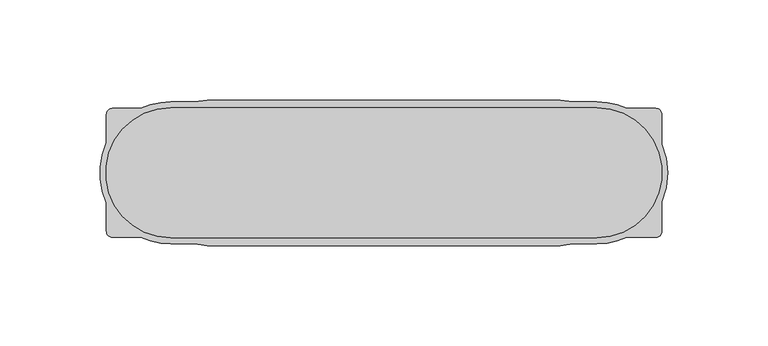
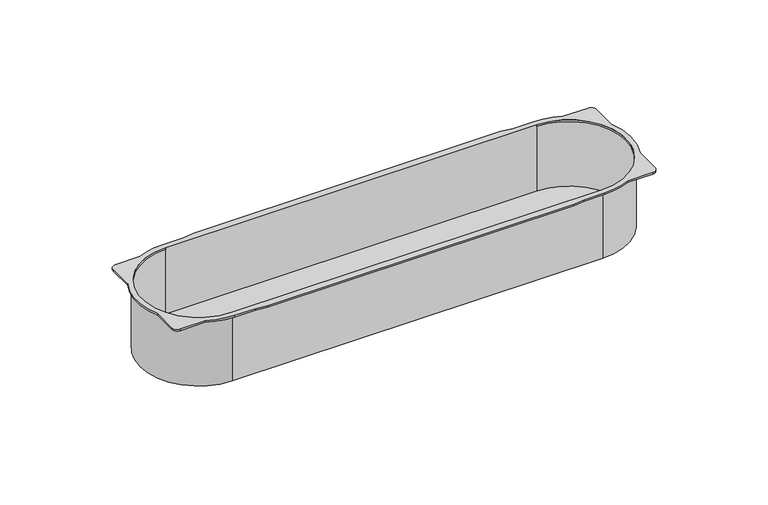
"""IFC4 building model written with IfcOpenShell, lengths in millimetres: proxy geometry."""

from ifc_helpers import new_model, si_unit, point, frame, frame_2d, origin, place, context, project, spatial, polyline, circle_curve, trimmed, segment, composite_curve, outline, extrude, source, transform, mapped, element, save
from ifc_brep_helpers import plane_surface, cylinder_surface, revolved_surface, advanced_brep


def electrical_fixtures_98e6198d(model_context):
    return source(origin(), model_context, "Body", "SolidModel", [
        advanced_brep(
        [(-106.5, 33.5, -40.0), (106.5, 33.5, -40.0), (106.5, -33.5, -40.0), (-106.5, -33.5, -40.0), (-106.5, 32.5, -40.0), (-106.5, -32.5, -40.0), (106.5, -32.5, -40.0), (106.5, 32.5, -40.0), (138.9713136, -14.3479544, 1.0), (138.9713136, 14.3479544, 1.0), (138.9713136, 29.1875, 1.0), (135.9713136, 32.1875, 1.0), (121.4738053, 32.1875, 1.0), (106.5, 35.5, 1.0), (94.5169757, 35.5, 1.0), (88.1770276, 36.4, 1.0), (-88.1783104, 36.4, 1.0), (-94.5182585, 35.5, 1.0), (-106.5, 35.5, 1.0), (-121.4738053, 32.1875, 1.0), (-135.6875, 32.1875, 1.0), (-138.6875, 29.1875, 1.0), (-138.6875, 14.9738053, 1.0), (-138.6875, -14.9738053, 1.0), (-138.6875, -29.1875, 1.0), (-135.6875, -32.1875, 1.0), (-121.4738053, -32.1875, 1.0), (-106.5, -35.5, 1.0), (-94.5182585, -35.5, 1.0), (-88.1783104, -36.4, 1.0), (88.1770276, -36.4, 1.0), (94.5169757, -35.5, 1.0), (106.5, -35.5, 1.0), (121.4738053, -32.1875, 1.0), (135.9713136, -32.1875, 1.0), (138.9713136, -29.1875, 1.0), (106.5, 32.5, 1.0), (106.5, -32.5, 1.0), (-106.5, -32.5, 1.0), (-106.5, 32.5, 1.0), (138.9713136, -14.3479544, 0.0), (138.9713136, -29.1875, 0.0), (135.9713136, -32.1875, 0.0), (121.4738053, -32.1875, 0.0), (106.5, -35.5, 0.0), (94.5169757, -35.5, 0.0), (88.1770276, -36.4, 0.0), (-88.1783104, -36.4, 0.0), (-94.5182585, -35.5, 0.0), (-106.5, -35.5, 0.0), (-121.4738053, -32.1875, 0.0), (-135.6875, -32.1875, 0.0), (-138.6875, -29.1875, 0.0), (-138.6875, -14.9738053, 0.0), (-138.6875, 14.9738053, 0.0), (-138.6875, 29.1875, 0.0), (-135.6875, 32.1875, 0.0), (-121.4738053, 32.1875, 0.0), (-106.5, 35.5, 0.0), (-94.5182585, 35.5, 0.0), (-88.1783104, 36.4, 0.0), (88.1770276, 36.4, 0.0), (94.5169757, 35.5, 0.0), (106.5, 35.5, 0.0), (121.4738053, 32.1875, 0.0), (135.9713136, 32.1875, 0.0), (138.9713136, 29.1875, 0.0), (138.9713136, 14.3479544, 0.0), (-106.5, 33.5, 0.0), (-106.5, -33.5, 0.0), (106.5, -33.5, 0.0), (106.5, 33.5, 0.0), (106.5, 32.5, 0.0), (106.5, -32.5, 0.0), (-106.5, -32.5, 0.0), (-106.5, 32.5, 0.0)],
        [
            (0, 1),
            (1, 2, circle_curve(frame((106.5, 0.0, -40.0), z_axis=(0.0, 0.0, -1.0), x_axis=(1.0, 0.0, 0.0)), 33.5)),
            (2, 3),
            (3, 0, circle_curve(frame((-106.5, 0.0, -40.0), z_axis=(0.0, 0.0, -1.0), x_axis=(-1.0, 0.0, 0.0)), 33.5)),
            (4, 5, circle_curve(frame((-106.5, 0.0, -40.0), z_axis=(0.0, 0.0, 1.0), x_axis=(-1.0, 0.0, 0.0)), 32.5)),
            (5, 6),
            (6, 7, circle_curve(frame((106.5, 0.0, -40.0), z_axis=(0.0, 0.0, 1.0), x_axis=(1.0, 0.0, 0.0)), 32.5)),
            (7, 4),
            (8, 9, circle_curve(frame((106.5, 0.0, 1.0), z_axis=(0.0, 0.0, 1.0), x_axis=(1.0, 0.0, 0.0)), 35.5)),
            (9, 10),
            (10, 11, circle_curve(frame((135.9713136, 29.1875, 1.0), z_axis=(0.0, 0.0, 1.0), x_axis=(-1.0, 0.0, 0.0)), 3.0)),
            (11, 12),
            (12, 13, circle_curve(frame((106.5, 0.0, 1.0), z_axis=(0.0, 0.0, 1.0), x_axis=(1.0, 0.0, 0.0)), 35.5)),
            (13, 14),
            (14, 15),
            (15, 16),
            (16, 17),
            (17, 18),
            (18, 19, circle_curve(frame((-106.5, 0.0, 1.0), z_axis=(0.0, 0.0, 1.0), x_axis=(-1.0, 0.0, 0.0)), 35.5)),
            (19, 20),
            (20, 21, circle_curve(frame((-135.6875, 29.1875, 1.0), z_axis=(0.0, 0.0, 1.0), x_axis=(1.0, 0.0, 0.0)), 3.0)),
            (21, 22),
            (22, 23, circle_curve(frame((-106.5, 0.0, 1.0), z_axis=(0.0, 0.0, 1.0), x_axis=(-1.0, 0.0, 0.0)), 35.5)),
            (23, 24),
            (24, 25, circle_curve(frame((-135.6875, -29.1875, 1.0), z_axis=(0.0, 0.0, 1.0), x_axis=(1.0, 0.0, 0.0)), 3.0)),
            (25, 26),
            (26, 27, circle_curve(frame((-106.5, 0.0, 1.0), z_axis=(0.0, 0.0, 1.0), x_axis=(-1.0, 0.0, 0.0)), 35.5)),
            (27, 28),
            (28, 29),
            (29, 30),
            (30, 31),
            (31, 32),
            (32, 33, circle_curve(frame((106.5, 0.0, 1.0), z_axis=(0.0, 0.0, 1.0), x_axis=(1.0, 0.0, 0.0)), 35.5)),
            (33, 34),
            (34, 35, circle_curve(frame((135.9713136, -29.1875, 1.0), z_axis=(0.0, 0.0, 1.0), x_axis=(-1.0, 0.0, 0.0)), 3.0)),
            (35, 8),
            (36, 37, circle_curve(frame((106.5, 0.0, 1.0), z_axis=(0.0, 0.0, -1.0), x_axis=(1.0, 0.0, 0.0)), 32.5)),
            (37, 38),
            (38, 39, circle_curve(frame((-106.5, 0.0, 1.0), z_axis=(0.0, 0.0, -1.0), x_axis=(-1.0, 0.0, 0.0)), 32.5)),
            (39, 36),
            (40, 41),
            (41, 42, circle_curve(frame((135.9713136, -29.1875, 0.0), z_axis=(0.0, 0.0, -1.0), x_axis=(-1.0, 0.0, 0.0)), 3.0)),
            (42, 43),
            (43, 44, circle_curve(frame((106.5, 0.0, 0.0), z_axis=(0.0, 0.0, -1.0), x_axis=(1.0, 0.0, 0.0)), 35.5)),
            (44, 45),
            (45, 46),
            (46, 47),
            (47, 48),
            (48, 49),
            (49, 50, circle_curve(frame((-106.5, 0.0, 0.0), z_axis=(0.0, 0.0, -1.0), x_axis=(-1.0, 0.0, 0.0)), 35.5)),
            (50, 51),
            (51, 52, circle_curve(frame((-135.6875, -29.1875, 0.0), z_axis=(0.0, 0.0, -1.0), x_axis=(1.0, 0.0, 0.0)), 3.0)),
            (52, 53),
            (53, 54, circle_curve(frame((-106.5, 0.0, 0.0), z_axis=(0.0, 0.0, -1.0), x_axis=(-1.0, 0.0, 0.0)), 35.5)),
            (54, 55),
            (55, 56, circle_curve(frame((-135.6875, 29.1875, 0.0), z_axis=(0.0, 0.0, -1.0), x_axis=(1.0, 0.0, 0.0)), 3.0)),
            (56, 57),
            (57, 58, circle_curve(frame((-106.5, 0.0, 0.0), z_axis=(0.0, 0.0, -1.0), x_axis=(-1.0, 0.0, 0.0)), 35.5)),
            (58, 59),
            (59, 60),
            (60, 61),
            (61, 62),
            (62, 63),
            (63, 64, circle_curve(frame((106.5, 0.0, 0.0), z_axis=(0.0, 0.0, -1.0), x_axis=(1.0, 0.0, 0.0)), 35.5)),
            (64, 65),
            (65, 66, circle_curve(frame((135.9713136, 29.1875, 0.0), z_axis=(0.0, 0.0, -1.0), x_axis=(-1.0, 0.0, 0.0)), 3.0)),
            (66, 67),
            (67, 40, circle_curve(frame((106.5, 0.0, 0.0), z_axis=(0.0, 0.0, -1.0), x_axis=(1.0, 0.0, 0.0)), 35.5)),
            (68, 69, circle_curve(frame((-106.5, 0.0, 0.0), z_axis=(0.0, 0.0, 1.0), x_axis=(-1.0, 0.0, 0.0)), 33.5)),
            (69, 70),
            (70, 71, circle_curve(frame((106.5, 0.0, 0.0), z_axis=(0.0, 0.0, 1.0), x_axis=(1.0, 0.0, 0.0)), 33.5)),
            (71, 68),
            (35, 41),
            (40, 8),
            (10, 66),
            (65, 11),
            (64, 12),
            (33, 43),
            (42, 34),
            (9, 67),
            (63, 13),
            (32, 44),
            (62, 14),
            (18, 58),
            (57, 19),
            (56, 20),
            (55, 21),
            (54, 22),
            (53, 23),
            (52, 24),
            (51, 25),
            (50, 26),
            (49, 27),
            (31, 45),
            (36, 72),
            (72, 73, circle_curve(frame((106.5, 0.0, 0.0), z_axis=(0.0, 0.0, -1.0), x_axis=(1.0, 0.0, 0.0)), 32.5)),
            (73, 37),
            (38, 74),
            (74, 75, circle_curve(frame((-106.5, 0.0, 0.0), z_axis=(0.0, 0.0, -1.0), x_axis=(-1.0, 0.0, 0.0)), 32.5)),
            (75, 39),
            (3, 69),
            (68, 0),
            (2, 70),
            (1, 71),
            (7, 72),
            (75, 4),
            (6, 73),
            (5, 74),
            (61, 15),
            (60, 16),
            (59, 17),
            (48, 28),
            (47, 29),
            (46, 30),
        ],
        [
            plane_surface(frame((-140.0, 0.0, -40.0), z_axis=(0.0, 0.0, -1.0), x_axis=(0.0, 1.0, 0.0))),
            plane_surface(frame((142.0, 0.0, 1.0), z_axis=(0.0, 0.0, 1.0), x_axis=(0.0, 1.0, 0.0))),
            plane_surface(frame((142.0, 0.0, 0.0), z_axis=(0.0, 0.0, -1.0), x_axis=(0.0, -1.0, 0.0))),
            plane_surface(frame((138.9713136, -29.1875, 1.0), z_axis=(1.0, 0.0, 0.0), x_axis=(0.0, 0.0, -1.0))),
            cylinder_surface(frame((135.9713136, 29.1875, 0.0), z_axis=(0.0, 0.0, 1.0), x_axis=(-1.0, 0.0, 0.0)), 3.0),
            plane_surface(frame((135.9713136, 32.1875, 1.0), z_axis=(0.0, 1.0, 0.0), x_axis=(0.0, 0.0, -1.0))),
            plane_surface(frame((121.4738053, -32.1875, 1.0), z_axis=(0.0, -1.0, 0.0), x_axis=(0.0, 0.0, -1.0))),
            cylinder_surface(frame((135.9713136, -29.1875, 0.0), z_axis=(0.0, 0.0, 1.0), x_axis=(-1.0, 0.0, 0.0)), 3.0),
            plane_surface(frame((138.9713136, 14.3479544, 1.0), z_axis=(1.0, 0.0, 0.0), x_axis=(0.0, 0.0, -1.0))),
            cylinder_surface(frame((106.5, 0.0, 0.0), z_axis=(0.0, 0.0, 1.0), x_axis=(1.0, 0.0, 0.0)), 35.5),
            plane_surface(frame((106.5, 35.5, 1.0), z_axis=(0.0, 1.0, 0.0), x_axis=(0.0, 0.0, -1.0))),
            cylinder_surface(frame((-106.5, 0.0, 0.0), z_axis=(0.0, 0.0, 1.0), x_axis=(-1.0, 0.0, 0.0)), 35.5),
            plane_surface(frame((-121.4738053, 32.1875, 1.0), z_axis=(0.0, 1.0, 0.0), x_axis=(0.0, 0.0, -1.0))),
            cylinder_surface(frame((-135.6875, 29.1875, 0.0), z_axis=(0.0, 0.0, 1.0), x_axis=(1.0, 0.0, 0.0)), 3.0),
            plane_surface(frame((-138.6875, 29.1875, 1.0), z_axis=(-1.0, 0.0, 0.0), x_axis=(0.0, 0.0, -1.0))),
            plane_surface(frame((-138.6875, -14.9738053, 1.0), z_axis=(-1.0, 0.0, 0.0), x_axis=(0.0, 0.0, -1.0))),
            cylinder_surface(frame((-135.6875, -29.1875, 0.0), z_axis=(0.0, 0.0, 1.0), x_axis=(1.0, 0.0, 0.0)), 3.0),
            plane_surface(frame((-135.6875, -32.1875, 1.0), z_axis=(0.0, -1.0, 0.0), x_axis=(0.0, 0.0, -1.0))),
            plane_surface(frame((94.5169757, -35.5, 1.0), z_axis=(0.0, -1.0, 0.0), x_axis=(0.0, 0.0, -1.0))),
            revolved_surface(polyline([(139.0, 0.0, 0.0), (139.0, 0.0, 1.0)]), (106.5, 0.0, 0.0), (0.0, 0.0, -1.0)),
            revolved_surface(polyline([(-139.0, 0.0, 0.0), (-139.0, 0.0, 1.0)]), (-106.5, 0.0, 0.0), (0.0, 0.0, -1.0)),
            cylinder_surface(frame((-106.5, 0.0, -40.0), z_axis=(0.0, 0.0, 1.0), x_axis=(-1.0, 0.0, 0.0)), 33.5),
            plane_surface(frame((-106.5, -33.5, 0.0), z_axis=(0.0, -1.0, 0.0), x_axis=(0.0, 0.0, -1.0))),
            cylinder_surface(frame((106.5, 0.0, -40.0), z_axis=(0.0, 0.0, 1.0), x_axis=(1.0, 0.0, 0.0)), 33.5),
            plane_surface(frame((106.5, 33.5, 0.0), z_axis=(0.0, 1.0, 0.0), x_axis=(0.0, 0.0, -1.0))),
            plane_surface(frame((-106.5, 32.5, 0.0), z_axis=(0.0, -1.0, 0.0), x_axis=(0.0, 0.0, -1.0))),
            revolved_surface(polyline([(139.0, 0.0, -40.0), (139.0, 0.0, 0.0)]), (106.5, 0.0, 0.0), (0.0, 0.0, -1.0)),
            plane_surface(frame((106.5, -32.5, 0.0), z_axis=(0.0, 1.0, 0.0), x_axis=(0.0, 0.0, -1.0))),
            revolved_surface(polyline([(-139.0, 0.0, -40.0), (-139.0, 0.0, 0.0)]), (-106.5, 0.0, 0.0), (0.0, 0.0, -1.0)),
            plane_surface(frame((94.5169757, 35.5, 1.0), z_axis=(0.14054791471914763, 0.990073877883918, 0.0), x_axis=(0.0, 0.0, -1.0))),
            plane_surface(frame((88.1770276, 36.4, 1.0), z_axis=(0.0, 1.0, 0.0), x_axis=(0.0, 0.0, -1.0))),
            plane_surface(frame((-88.1783104, 36.4, 1.0), z_axis=(-0.14054791471914835, 0.9900738778839179, 0.0), x_axis=(0.0, 0.0, -1.0))),
            plane_surface(frame((-94.5182585, 35.5, 1.0), z_axis=(0.0, 1.0, 0.0), x_axis=(0.0, 0.0, -1.0))),
            plane_surface(frame((-106.5, -35.5, 1.0), z_axis=(0.0, -1.0, 0.0), x_axis=(0.0, 0.0, -1.0))),
            plane_surface(frame((-94.5182585, -35.5, 1.0), z_axis=(-0.14054791471914777, -0.990073877883918, 0.0), x_axis=(0.0, 0.0, -1.0))),
            plane_surface(frame((-88.1783104, -36.4, 1.0), z_axis=(0.0, -1.0, 0.0), x_axis=(0.0, 0.0, -1.0))),
            plane_surface(frame((88.1770276, -36.4, 1.0), z_axis=(0.1405479147191463, -0.9900738778839182, 0.0), x_axis=(0.0, 0.0, -1.0))),
        ],
        [
            (0, [[1, 2, 3, 4], [5, 6, 7, 8]]),
            (1, [[9, 10, 11, 12, 13, 14, 15, 16, 17, 18, 19, 20, 21, 22, 23, 24, 25, 26, 27, 28, 29, 30, 31, 32, 33, 34, 35, 36], [37, 38, 39, 40]]),
            (2, [[41, 42, 43, 44, 45, 46, 47, 48, 49, 50, 51, 52, 53, 54, 55, 56, 57, 58, 59, 60, 61, 62, 63, 64, 65, 66, 67, 68], [69, 70, 71, 72]]),
            (3, [[-36, 73, -41, 74]]),
            (4, [[-11, 75, -66, 76]]),
            (5, [[-12, -76, -65, 77]]),
            (6, [[-34, 78, -43, 79]]),
            (7, [[-35, -79, -42, -73]]),
            (8, [[-10, 80, -67, -75]]),
            (9, [[-9, -74, -68, -80]]),
            (9, [[-13, -77, -64, 81]]),
            (9, [[-33, 82, -44, -78]]),
            (10, [[-14, -81, -63, 83]]),
            (11, [[-19, 84, -58, 85]]),
            (12, [[-20, -85, -57, 86]]),
            (13, [[-21, -86, -56, 87]]),
            (14, [[-22, -87, -55, 88]]),
            (11, [[-23, -88, -54, 89]]),
            (15, [[-24, -89, -53, 90]]),
            (16, [[-25, -90, -52, 91]]),
            (17, [[-26, -91, -51, 92]]),
            (11, [[-27, -92, -50, 93]]),
            (18, [[-32, 94, -45, -82]]),
            (19, [[-37, 95, 96, 97]]),
            (20, [[-39, 98, 99, 100]]),
            (21, [[-4, 101, -69, 102]]),
            (22, [[-3, 103, -70, -101]]),
            (23, [[-2, 104, -71, -103]]),
            (24, [[-1, -102, -72, -104]]),
            (25, [[-8, 105, -95, -40, -100, 106]]),
            (26, [[-7, 107, -96, -105]]),
            (27, [[-6, 108, -98, -38, -97, -107]]),
            (28, [[-5, -106, -99, -108]]),
            (29, [[-15, -83, -62, 109]]),
            (30, [[-16, -109, -61, 110]]),
            (31, [[-17, -110, -60, 111]]),
            (32, [[-18, -111, -59, -84]]),
            (33, [[-28, -93, -49, 112]]),
            (34, [[-29, -112, -48, 113]]),
            (35, [[-30, -113, -47, 114]]),
            (36, [[-31, -114, -46, -94]]),
        ],
    ),
        extrude(outline(composite_curve([segment(polyline([(-106.5, 32.5), (106.5, 32.5)]), True, "CONTINUOUS"), segment(trimmed(circle_curve(frame_2d((106.5, 0.0)), 32.5), [point((106.5, 32.5))], [point((106.5, -32.5))], False, "CARTESIAN"), True, "CONTINUOUS"), segment(polyline([(106.5, -32.5), (-106.5, -32.5)]), True, "CONTINUOUS"), segment(trimmed(circle_curve(frame_2d((-106.5, 0.0)), 32.5), [point((-106.5, -32.5))], [point((-106.5, 32.5))], False, "CARTESIAN"), True, "CONTINUOUS")], self_intersect=False)), frame((0.0, 0.0, -40.0), z_axis=(0.0, 0.0, 1.0), x_axis=(1.0, 0.0, 0.0)), (0.0, 0.0, 1.0), 1.0),
    ])


if __name__ == "__main__":
    model = new_model("IFC4")
    model_context = context("Model", 3, world=origin())
    ifc_project = project(units=[si_unit("LENGTHUNIT", "METRE", prefix="MILLI")], contexts=[model_context])
    site = spatial("IfcSite", under=ifc_project)
    building = spatial("IfcBuilding", under=site)
    placement = place(None, origin())
    electrical_fixtures_shape = electrical_fixtures_98e6198d(model_context)
    element("IfcBuildingElementProxy", 1, Name="Electrical Fixtures", at=placement, inside=building, context=model_context, shape_type="MappedRepresentation", body=[
        mapped(electrical_fixtures_shape, transform((0.0, 0.0, 0.0), x_axis=(1.0, 0.0, 0.0), y_axis=(0.0, 1.0, 0.0), z_axis=(0.0, 0.0, 1.0))),
    ])
    save(model, "model.ifc")
